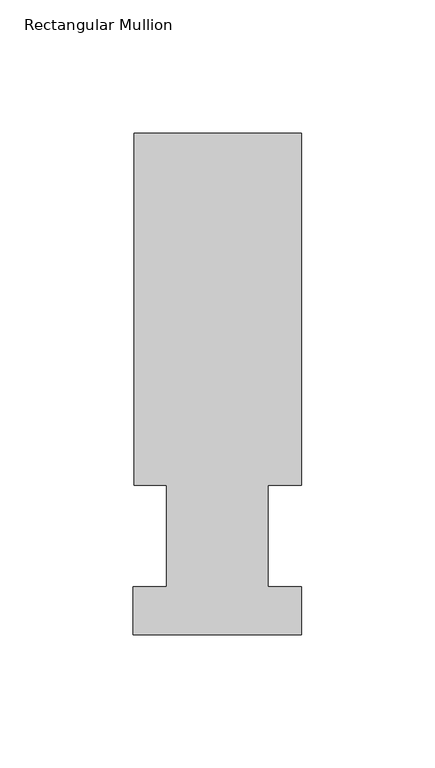
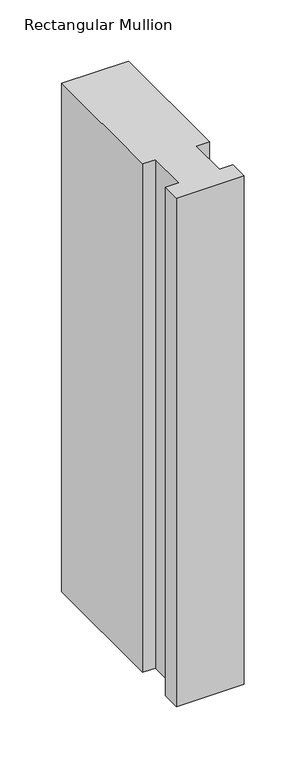
"""IFC4 building model written with IfcOpenShell, lengths in millimetres: member geometry, Rectangular Mullion."""

from ifc_helpers import new_model, si_unit, frame, origin, place, context, project, spatial, polyline, outline, extrude, source, transform, mapped, element, save


def rectangular_mullion_b3f84e07(model_context):
    return source(origin(), model_context, "Body", "SweptSolid", [
        extrude(outline(polyline([(-63.0936, 189.0895062), (0.0, 189.0895062), (0.0, 56.6539062), (-12.6746, 56.6539062), (-12.6746, 18.5539063), (0.0, 18.5539062), (0.0, 0.5199062), (-63.5, 0.5199062), (-63.5, 18.5539063), (-50.8, 18.5539063), (-50.8, 56.6539062), (-63.0936, 56.6539062), (-63.0936, 189.0895062)])), frame((0.0, 0.0, -506.907117), z_axis=(0.0, 0.0, 1.0), x_axis=(1.0, 0.0, 0.0)), (0.0, 0.0, 1.0), 506.907117),
    ])


if __name__ == "__main__":
    model = new_model("IFC4")
    model_context = context("Model", 3, world=origin())
    ifc_project = project(units=[si_unit("LENGTHUNIT", "METRE", prefix="MILLI")], contexts=[model_context])
    site = spatial("IfcSite", under=ifc_project)
    building = spatial("IfcBuilding", under=site)
    placement = place(None, origin())
    rectangular_mullion_shape = rectangular_mullion_b3f84e07(model_context)
    element("IfcMember", 1, ObjectType="Rectangular Mullion", at=placement, inside=building, context=model_context, shape_type="MappedRepresentation", body=[
        mapped(rectangular_mullion_shape, transform((0.0, 0.0, 0.0), x_axis=(1.0, 0.0, 0.0), y_axis=(0.0, 1.0, 0.0), z_axis=(0.0, 0.0, 1.0))),
    ])
    save(model, "model.ifc")
